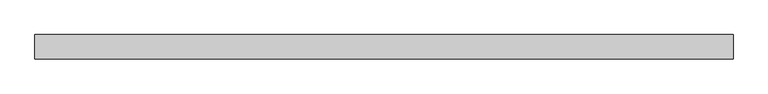
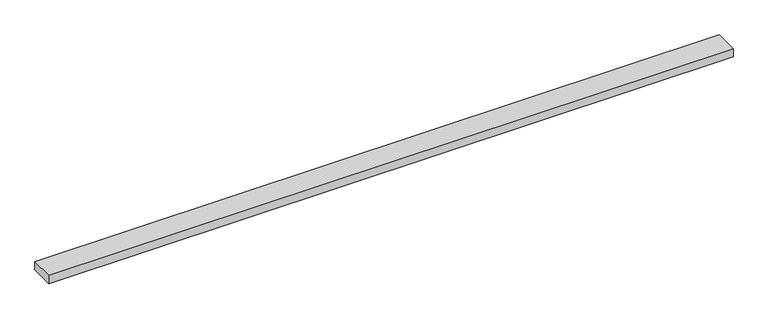
"""IFC4 building model written with IfcOpenShell, lengths in millimetres: beam geometry."""

from ifc_helpers import new_model, si_unit, frame, origin, place, context, project, spatial, polyline, outline, extrude, source, transform, mapped, element, save


def beam_0d7b3f7c(model_context):
    return source(origin(), model_context, "Body", "SweptSolid", [
        extrude(outline(polyline([(577.3502692, 20.0), (577.3502692, -20.0), (-577.3502692, -20.0), (-577.3502692, 20.0), (577.3502692, 20.0)])), frame((0.0, 0.0, -7.5), z_axis=(0.0, 0.0, 1.0), x_axis=(1.0, 0.0, 0.0)), (0.0, 0.0, 1.0), 15.0),
    ])


if __name__ == "__main__":
    model = new_model("IFC4")
    model_context = context("Model", 3, world=origin())
    ifc_project = project(units=[si_unit("LENGTHUNIT", "METRE", prefix="MILLI")], contexts=[model_context])
    site = spatial("IfcSite", under=ifc_project)
    building = spatial("IfcBuilding", under=site)
    placement = place(None, origin())
    beam_shape = beam_0d7b3f7c(model_context)
    element("IfcBeam", 1, at=placement, inside=building, context=model_context, shape_type="MappedRepresentation", body=[
        mapped(beam_shape, transform((0.0, 0.0, 0.0), x_axis=(1.0, 0.0, 0.0), y_axis=(0.0, 1.0, 0.0), z_axis=(0.0, 0.0, 1.0))),
    ])
    save(model, "model.ifc")
